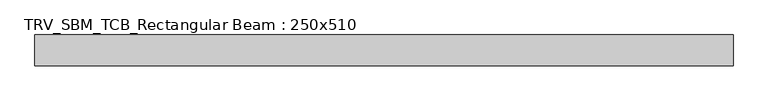
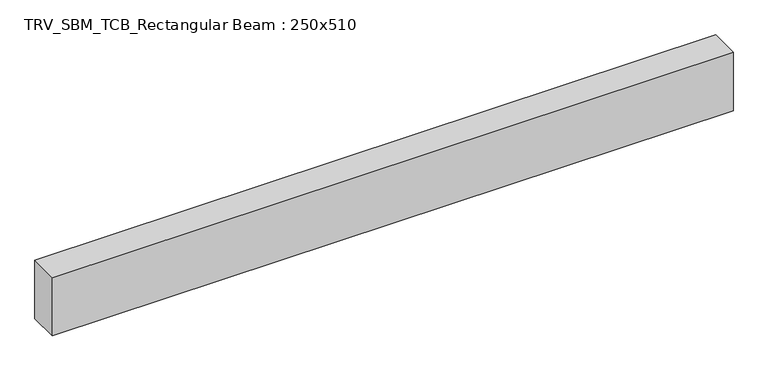
"""IFC4 building model written with IfcOpenShell, lengths in millimetres: beam geometry, TRV_SBM_TCB_Rectangular Beam : 250x510."""

from ifc_helpers import new_model, si_unit, frame, origin, place, context, project, spatial, polyline, outline, extrude, source, transform, mapped, element, save


def trv_sbm_tcb_rectangular_beam_250x510_3b3a35fb(model_context):
    return source(origin(), model_context, "Body", "SweptSolid", [
        extrude(outline(polyline([(2816.2, 125.0), (2816.2, -125.0), (-2816.2, -125.0), (-2816.2, 125.0), (2816.2, 125.0)])), frame((0.0, 0.0, -255.0), z_axis=(0.0, 0.0, 1.0), x_axis=(1.0, 0.0, 0.0)), (0.0, 0.0, 1.0), 510.0),
    ])


if __name__ == "__main__":
    model = new_model("IFC4")
    model_context = context("Model", 3, world=origin())
    ifc_project = project(units=[si_unit("LENGTHUNIT", "METRE", prefix="MILLI")], contexts=[model_context])
    site = spatial("IfcSite", under=ifc_project)
    building = spatial("IfcBuilding", under=site)
    placement = place(None, origin())
    trv_sbm_tcb_rectangular_beam_250x510_shape = trv_sbm_tcb_rectangular_beam_250x510_3b3a35fb(model_context)
    element("IfcBeam", 1, ObjectType="TRV_SBM_TCB_Rectangular Beam : 250x510", at=placement, inside=building, context=model_context, shape_type="MappedRepresentation", body=[
        mapped(trv_sbm_tcb_rectangular_beam_250x510_shape, transform((0.0, 0.0, 0.0), x_axis=(1.0, 0.0, 0.0), y_axis=(0.0, 1.0, 0.0), z_axis=(0.0, 0.0, 1.0))),
    ])
    save(model, "model.ifc")
